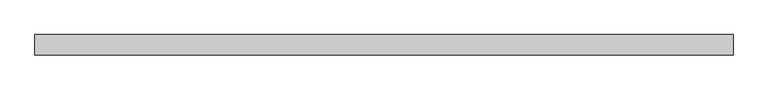
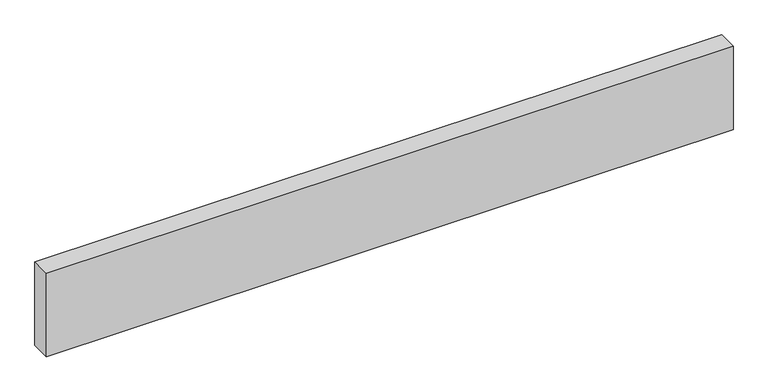
"""IFC4 building model written with IfcOpenShell, lengths in millimetres: beam geometry."""

from ifc_helpers import new_model, si_unit, frame, origin, place, context, project, spatial, polyline, outline, extrude, source, transform, mapped, element, save


def beam_af2c8488(model_context):
    return source(origin(), model_context, "Body", "SweptSolid", [
        extrude(outline(polyline([(-777.1654636, 22.5), (777.1654636, 22.5), (777.1654636, -22.5), (-777.1654636, -22.5), (-777.1654636, 22.5)])), frame((0.0, 0.0, -100.0), z_axis=(0.0, 0.0, 1.0), x_axis=(1.0, 0.0, 0.0)), (0.0, 0.0, 1.0), 200.0),
    ])


if __name__ == "__main__":
    model = new_model("IFC4")
    model_context = context("Model", 3, world=origin())
    ifc_project = project(units=[si_unit("LENGTHUNIT", "METRE", prefix="MILLI")], contexts=[model_context])
    site = spatial("IfcSite", under=ifc_project)
    building = spatial("IfcBuilding", under=site)
    placement = place(None, origin())
    beam_shape = beam_af2c8488(model_context)
    element("IfcBeam", 1, at=placement, inside=building, context=model_context, shape_type="MappedRepresentation", body=[
        mapped(beam_shape, transform((0.0, 0.0, 0.0), x_axis=(1.0, 0.0, 0.0), y_axis=(0.0, 1.0, 0.0), z_axis=(0.0, 0.0, 1.0))),
    ])
    save(model, "model.ifc")
